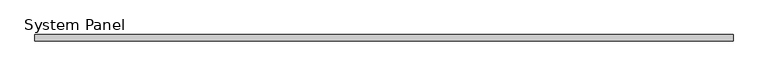
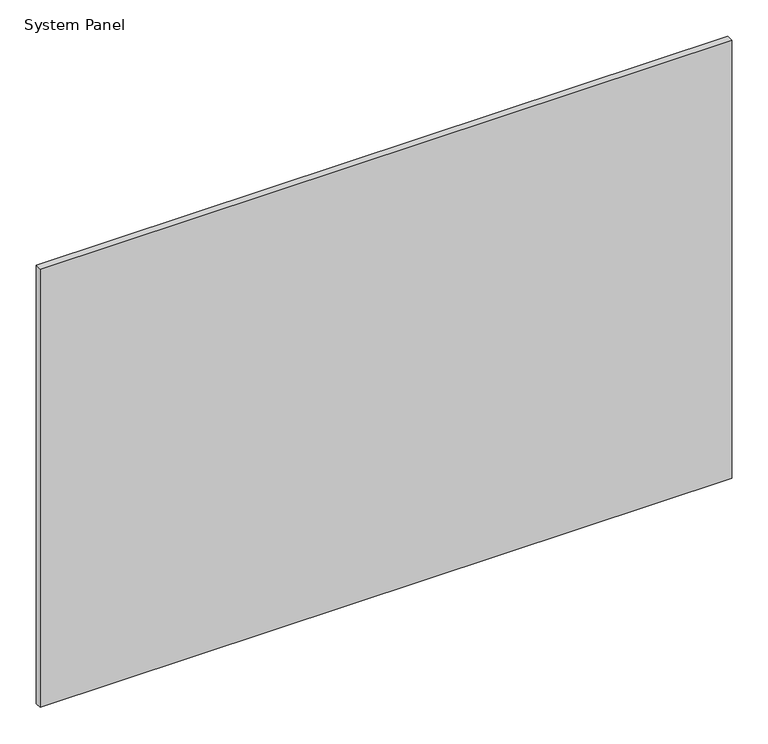
"""IFC4 building model written with IfcOpenShell, lengths in millimetres: plate geometry, System Panel."""

from ifc_helpers import new_model, si_unit, origin, origin_with_axes, place, context, project, spatial, polyline, outline, extrude, source, transform, mapped, element, save


def system_panel_b07c3b82(model_context):
    return source(origin(), model_context, "Body", "SweptSolid", [
        extrude(outline(polyline([(547.9675001, -5.0), (-547.9675001, -5.0), (-547.9675001, 5.0), (547.9675001, 5.0), (547.9675001, -5.0)])), origin_with_axes(), (0.0, 0.0, 1.0), 734.5590798),
    ])


if __name__ == "__main__":
    model = new_model("IFC4")
    model_context = context("Model", 3, world=origin())
    ifc_project = project(units=[si_unit("LENGTHUNIT", "METRE", prefix="MILLI")], contexts=[model_context])
    site = spatial("IfcSite", under=ifc_project)
    building = spatial("IfcBuilding", under=site)
    placement = place(None, origin())
    system_panel_shape = system_panel_b07c3b82(model_context)
    element("IfcPlate", 1, ObjectType="System Panel", at=placement, inside=building, context=model_context, shape_type="MappedRepresentation", body=[
        mapped(system_panel_shape, transform((0.0, 0.0, 0.0), x_axis=(1.0, 0.0, 0.0), y_axis=(0.0, 1.0, 0.0), z_axis=(0.0, 0.0, 1.0))),
    ])
    save(model, "model.ifc")
